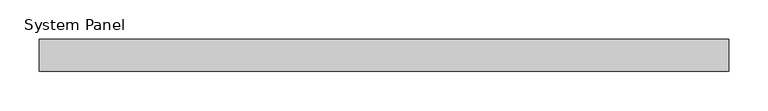
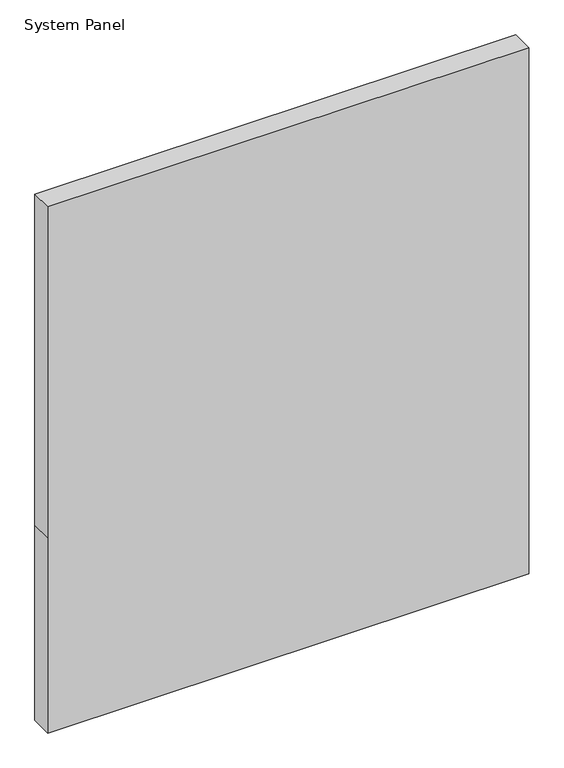
"""IFC4 building model written with IfcOpenShell, lengths in millimetres: plate geometry, System Panel."""

import ifcopenshell
import ifcopenshell.guid

model = None  # the IFC model being written
_history = None  # IfcOwnerHistory: only IFC2X3 demands one
_inside = {}  # id of a spatial element -> (the spatial element, [elements in it])
_under = {}  # id of a project, library or spatial element -> (it, [spatial elements below it])
_declared = {}  # id of a project -> (the project, [libraries it declares])
_typed = {}  # id of a type object -> (the type object, [elements of that type])
_made_of = {}  # id of a material, layer set ... -> (it, [elements and type objects made of it])


def new_model(schema):
    """Start an empty IFC model of exactly this schema.

    Asked for "IFC4X3", IfcOpenShell would pick the latest addendum, in which some entities
    have other attributes; the version numbers below select the first issue.
    IFC2X3 requires an IfcOwnerHistory on every rooted entity: one is made here for all.
    """
    global model, _history
    if schema == "IFC4X3":
        model = ifcopenshell.file(schema_version=(4, 3, 0, 0))
    else:
        model = ifcopenshell.file(schema=schema)
    _inside.clear()
    _under.clear()
    _declared.clear()
    _typed.clear()
    _made_of.clear()
    _history = None
    if model.schema == "IFC2X3":
        org = make("IfcOrganization", Name="unknown")
        user = make(
            "IfcPersonAndOrganization",
            ThePerson=make("IfcPerson", FamilyName="unknown"),
            TheOrganization=org,
        )
        app = make(
            "IfcApplication",
            ApplicationDeveloper=org,
            Version="unknown",
            ApplicationFullName="unknown",
            ApplicationIdentifier="unknown",
        )
        _history = make(
            "IfcOwnerHistory",
            OwningUser=user,
            OwningApplication=app,
            ChangeAction="ADDED",
            CreationDate=0,
        )
    return model


def make(cls, **values):
    """One entity of the class cls with the attributes given. An attribute that is None is left unset."""
    return model.create_entity(
        cls, **{name: value for name, value in values.items() if value is not None}
    )


def rooted(cls, **values):
    """An entity with a GlobalId (a new one), such as an element, a storey or a relation."""
    return make(cls, GlobalId=ifcopenshell.guid.new(), OwnerHistory=_history, **values)


def si_unit(unit_type, name, prefix=None):
    """IfcSIUnit, for example si_unit("LENGTHUNIT", "METRE", prefix="MILLI")."""
    return make("IfcSIUnit", UnitType=unit_type, Prefix=prefix, Name=name)


def assignment(units):
    """IfcUnitAssignment: the units of a project."""
    return None if units is None else make("IfcUnitAssignment", Units=units)


def point(xyz):
    """IfcCartesianPoint."""
    return None if xyz is None else make("IfcCartesianPoint", Coordinates=xyz)


def direction(xyz):
    """IfcDirection."""
    return None if xyz is None else make("IfcDirection", DirectionRatios=xyz)


def frame(location, z_axis=None, x_axis=None):
    """IfcAxis2Placement3D, a coordinate frame: its origin and axes. An axis left out is left unset."""
    return make(
        "IfcAxis2Placement3D",
        Location=point(location),
        Axis=direction(z_axis),
        RefDirection=direction(x_axis),
    )


def origin():
    """The frame at (0, 0, 0) with its axes left unset."""
    return frame((0.0, 0.0, 0.0))


def place(relative_to, where):
    """IfcLocalPlacement: puts the frame where relative to a parent placement (None: the world)."""
    return make(
        "IfcLocalPlacement", PlacementRelTo=relative_to, RelativePlacement=where
    )


def context(
    kind, dimensions, precision=None, world=None, true_north=None, identifier=None
):
    """IfcGeometricRepresentationContext, for example the 3D "Model" context."""
    return make(
        "IfcGeometricRepresentationContext",
        ContextIdentifier=identifier,
        ContextType=kind,
        CoordinateSpaceDimension=dimensions,
        Precision=precision,
        WorldCoordinateSystem=world,
        TrueNorth=true_north,
    )


def project(units=None, contexts=None):
    """IfcProject with its units and contexts."""
    return rooted(
        "IfcProject",
        Name="project",
        RepresentationContexts=contexts,
        UnitsInContext=assignment(units),
    )


def spatial(cls, under=None, at=None, **own):
    """A site, building, storey or space (cls), placed at a placement, below another one or the project."""
    s = rooted(cls, ObjectPlacement=at, **own)
    if under is not None:
        _under.setdefault(under.id(), (under, []))[1].append(s)
    return s


def polyline(points):
    """IfcPolyline through the points."""
    return make("IfcPolyline", Points=[point(p) for p in points])


def outline(outer, holes=None, kind="AREA"):
    """IfcArbitraryClosedProfileDef: a profile drawn as a closed curve; with holes, ...WithVoids."""
    if holes is None:
        return make("IfcArbitraryClosedProfileDef", ProfileType=kind, OuterCurve=outer)
    return make(
        "IfcArbitraryProfileDefWithVoids",
        ProfileType=kind,
        OuterCurve=outer,
        InnerCurves=holes,
    )


def extrude(swept, where, along, depth):
    """IfcExtrudedAreaSolid: the profile swept, set in the frame where, extruded along a direction by depth."""
    return make(
        "IfcExtrudedAreaSolid",
        SweptArea=swept,
        Position=where,
        ExtrudedDirection=direction(along),
        Depth=depth,
    )


def shape(context_of_items, identifier, shape_type, items):
    """IfcShapeRepresentation: the items that make up one representation, for example the "Body"."""
    return make(
        "IfcShapeRepresentation",
        ContextOfItems=context_of_items,
        RepresentationIdentifier=identifier,
        RepresentationType=shape_type,
        Items=items,
    )


def source(mapping_origin, context_of_items, identifier, shape_type, items):
    """IfcRepresentationMap: a shape defined once, which mapped items show again and again."""
    return make(
        "IfcRepresentationMap",
        MappingOrigin=mapping_origin,
        MappedRepresentation=shape(context_of_items, identifier, shape_type, items),
    )


def transform(
    local_origin,
    x_axis=None,
    y_axis=None,
    z_axis=None,
    scale=None,
    scale2=None,
    scale3=None,
    uniform=True,
):
    """IfcCartesianTransformationOperator3D, or its non-uniform kind. x_axis, y_axis, z_axis: its Axis1, 2, 3."""
    if uniform:
        return make(
            "IfcCartesianTransformationOperator3D",
            Axis1=direction(x_axis),
            Axis2=direction(y_axis),
            LocalOrigin=point(local_origin),
            Scale=scale,
            Axis3=direction(z_axis),
        )
    return make(
        "IfcCartesianTransformationOperator3DnonUniform",
        Axis1=direction(x_axis),
        Axis2=direction(y_axis),
        LocalOrigin=point(local_origin),
        Scale=scale,
        Axis3=direction(z_axis),
        Scale2=scale2,
        Scale3=scale3,
    )


def mapped(mapping_source, mapping_target):
    """IfcMappedItem: shows the shape of a source again, moved by a transform."""
    return make(
        "IfcMappedItem", MappingSource=mapping_source, MappingTarget=mapping_target
    )


def made_of(thing, what):
    """Note that an element or type object is made of a material, layer set ...; save() writes the relation."""
    if what is not None:
        _made_of.setdefault(what.id(), (what, []))[1].append(thing)
    return thing


def element(
    cls,
    number,
    at=None,
    inside=None,
    cuts=None,
    type_object=None,
    material=None,
    context=None,
    identifier="Body",
    shape_type=None,
    held_by="IfcProductDefinitionShape",
    body=None,
    shapes=None,
    **own,
):
    """One element of the class cls, such as IfcWall. Its Tag is "e" and its number.

    at: its placement. inside: the storey or other place that contains it. cuts: it is an
    opening in that element (IfcRelVoidsElement). A single representation is given by context,
    identifier, shape_type and body (its items); several are given by shapes. held_by: the class
    of the entity that holds the representations. save() writes the other relations.
    """
    e = rooted(cls, Tag="e%d" % number, ObjectPlacement=at, **own)
    if body is not None:
        shapes = [shape(context, identifier, shape_type, body)]
    if shapes is not None:
        e.Representation = make(held_by, Representations=shapes)
    if inside is not None:
        _inside.setdefault(inside.id(), (inside, []))[1].append(e)
    if cuts is not None:
        rooted(
            "IfcRelVoidsElement", RelatingBuildingElement=cuts, RelatedOpeningElement=e
        )
    if type_object is not None:
        _typed.setdefault(type_object.id(), (type_object, []))[1].append(e)
    return made_of(e, material)


def aggregate(whole, parts):
    """IfcRelAggregates: a whole, such as a stair, and the parts it consists of."""
    return rooted("IfcRelAggregates", RelatingObject=whole, RelatedObjects=parts)


def save(model, path):
    """Write the relations noted so far, then the file.

    IfcRelAggregates (storeys below a building ...), IfcRelContainedInSpatialStructure (elements
    in a storey), IfcRelDefinesByType, IfcRelAssociatesMaterial and IfcRelDeclares: one each for
    every whole, place, type object, material and project.
    """
    for whole, parts in _under.values():
        aggregate(whole, parts)
    for where, things in _inside.values():
        rooted(
            "IfcRelContainedInSpatialStructure",
            RelatedElements=things,
            RelatingStructure=where,
        )
    for kind, things in _typed.values():
        rooted("IfcRelDefinesByType", RelatedObjects=things, RelatingType=kind)
    for what, things in _made_of.values():
        rooted("IfcRelAssociatesMaterial", RelatedObjects=things, RelatingMaterial=what)
    for by, libraries in _declared.values():
        rooted("IfcRelDeclares", RelatingContext=by, RelatedDefinitions=libraries)
    model.write(path)


def system_panel_2abf7abc(model_context):
    return source(origin(), model_context, "Body", "SweptSolid", [
        extrude(outline(polyline([(0.0, -436.6666667), (0.0, 436.6666667), (375.0, 436.6666667), (1010.0, 436.6666667), (1010.0, -436.6666667), (375.0, -436.6666667), (0.0, -436.6666667)])), frame((0.0, -54.0, 0.0), z_axis=(0.0, 1.0, 0.0), x_axis=(0.0, 0.0, 1.0)), (0.0, 0.0, 1.0), 40.0),
    ])


if __name__ == "__main__":
    model = new_model("IFC4")
    model_context = context("Model", 3, world=origin())
    ifc_project = project(units=[si_unit("LENGTHUNIT", "METRE", prefix="MILLI")], contexts=[model_context])
    site = spatial("IfcSite", under=ifc_project)
    building = spatial("IfcBuilding", under=site)
    placement = place(None, origin())
    system_panel_shape = system_panel_2abf7abc(model_context)
    element("IfcPlate", 1, ObjectType="System Panel", at=placement, inside=building, context=model_context, shape_type="MappedRepresentation", body=[
        mapped(system_panel_shape, transform((0.0, 0.0, 0.0), x_axis=(1.0, 0.0, 0.0), y_axis=(0.0, 1.0, 0.0), z_axis=(0.0, 0.0, 1.0))),
    ])
    save(model, "model.ifc")
